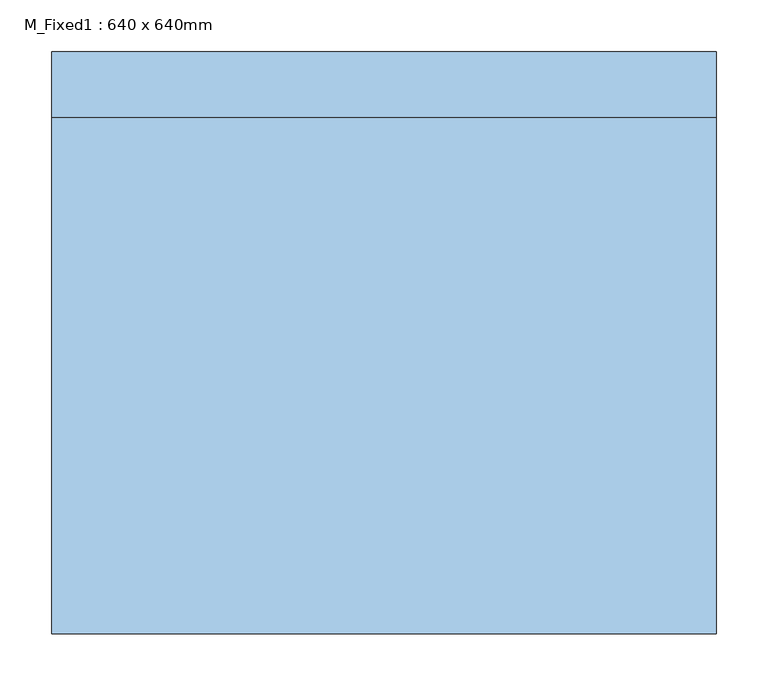
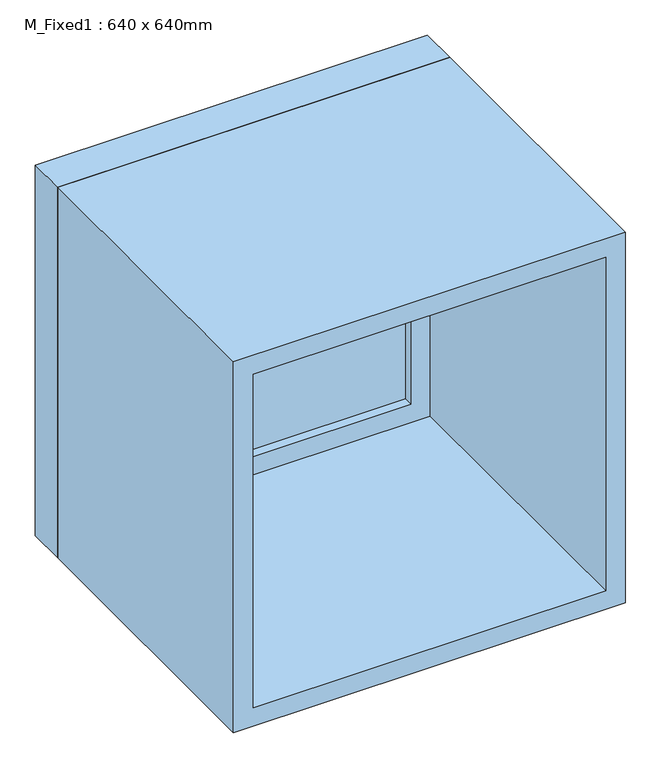
"""IFC4 building model written with IfcOpenShell, lengths in millimetres: window geometry, M_Fixed1 : 640 x 640mm."""

from ifc_helpers import new_model, si_unit, frame, origin, place, context, project, spatial, polyline, outline, extrude, source, transform, mapped, element, save


def m_fixed1_640_x_640mm_e8f4b477(model_context):
    return source(origin(), model_context, "Body", "SweptSolid", [
        extrude(outline(polyline([(-257.0, 258.2066537), (257.0, 258.2066537), (257.0, 246.2066537), (-257.0, 246.2066537), (-257.0, 258.2066537)])), frame((0.0, 0.0, 978.0), z_axis=(0.0, 0.0, 1.0), x_axis=(1.0, 0.0, 0.0)), (0.0, 0.0, 1.0), 514.0),
        extrude(outline(polyline([(1536.0, -301.0), (934.0, -301.0), (934.0, 301.0), (1536.0, 301.0), (1536.0, -301.0)]), holes=[polyline([(1492.0, -257.0), (1492.0, 257.0), (978.0, 257.0), (978.0, -257.0), (1492.0, -257.0)])]), frame((0.0, 230.2066537, 0.0), z_axis=(0.0, 1.0, 0.0), x_axis=(0.0, 0.0, 1.0)), (0.0, 0.0, 1.0), 44.0),
        extrude(outline(polyline([(1555.0, -320.0), (915.0, -320.0), (915.0, 320.0), (1555.0, 320.0), (1555.0, -320.0)]), holes=[polyline([(1536.0, -301.0), (1536.0, 301.0), (934.0, 301.0), (934.0, -301.0), (1536.0, -301.0)])]), frame((0.0, 230.2066537, 0.0), z_axis=(0.0, 1.0, 0.0), x_axis=(0.0, 0.0, 1.0)), (0.0, 0.0, 1.0), 63.0),
        extrude(outline(polyline([(1555.0, -320.0), (915.0, -320.0), (915.0, 320.0), (1555.0, 320.0), (1555.0, -320.0)]), holes=[polyline([(1523.0, -288.0), (1523.0, 288.0), (947.0, 288.0), (947.0, -288.0), (1523.0, -288.0)])]), frame((0.0, -267.2066537, 0.0), z_axis=(0.0, 1.0, 0.0), x_axis=(0.0, 0.0, 1.0)), (0.0, 0.0, 1.0), 497.4133073),
    ])


if __name__ == "__main__":
    model = new_model("IFC4")
    model_context = context("Model", 3, world=origin())
    ifc_project = project(units=[si_unit("LENGTHUNIT", "METRE", prefix="MILLI")], contexts=[model_context])
    site = spatial("IfcSite", under=ifc_project)
    building = spatial("IfcBuilding", under=site)
    placement = place(None, origin())
    m_fixed1_640_x_640mm_shape = m_fixed1_640_x_640mm_e8f4b477(model_context)
    element("IfcWindow", 1, ObjectType="M_Fixed1 : 640 x 640mm", at=placement, inside=building, context=model_context, shape_type="MappedRepresentation", body=[
        mapped(m_fixed1_640_x_640mm_shape, transform((0.0, 0.0, 0.0), x_axis=(1.0, 0.0, 0.0), y_axis=(0.0, 1.0, 0.0), z_axis=(0.0, 0.0, 1.0))),
    ])
    save(model, "model.ifc")
